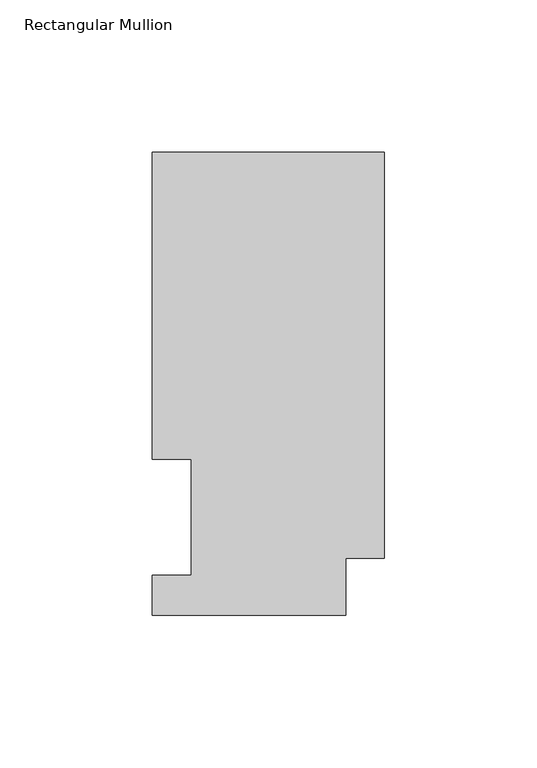
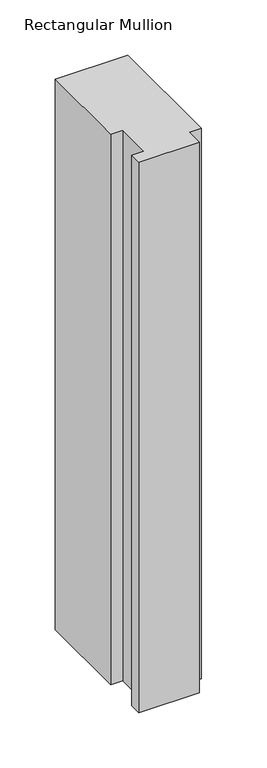
"""IFC4 building model written with IfcOpenShell, lengths in millimetres: member geometry, Rectangular Mullion."""

from ifc_helpers import new_model, si_unit, frame, origin, place, context, project, spatial, polyline, outline, extrude, source, transform, mapped, element, save


def rectangular_mullion_d4cdfb61(model_context):
    return source(origin(), model_context, "Body", "SweptSolid", [
        extrude(outline(polyline([(0.0, 151.9816938), (0.0, 18.7332938), (-12.7, 18.7332938), (-12.7, 0.0134937), (-76.2, 0.0134937), (-76.2, 13.1960937), (-63.5, 13.1960937), (-63.5, 51.2960937), (-76.2, 51.2960937), (-76.2, 151.9816937), (0.0, 151.9816938)])), frame((0.0, 0.0, -609.6), z_axis=(0.0, 0.0, 1.0), x_axis=(1.0, 0.0, 0.0)), (0.0, 0.0, 1.0), 609.6),
    ])


if __name__ == "__main__":
    model = new_model("IFC4")
    model_context = context("Model", 3, world=origin())
    ifc_project = project(units=[si_unit("LENGTHUNIT", "METRE", prefix="MILLI")], contexts=[model_context])
    site = spatial("IfcSite", under=ifc_project)
    building = spatial("IfcBuilding", under=site)
    placement = place(None, origin())
    rectangular_mullion_shape = rectangular_mullion_d4cdfb61(model_context)
    element("IfcMember", 1, ObjectType="Rectangular Mullion", at=placement, inside=building, context=model_context, shape_type="MappedRepresentation", body=[
        mapped(rectangular_mullion_shape, transform((0.0, 0.0, 0.0), x_axis=(1.0, 0.0, 0.0), y_axis=(0.0, 1.0, 0.0), z_axis=(0.0, 0.0, 1.0))),
    ])
    save(model, "model.ifc")
